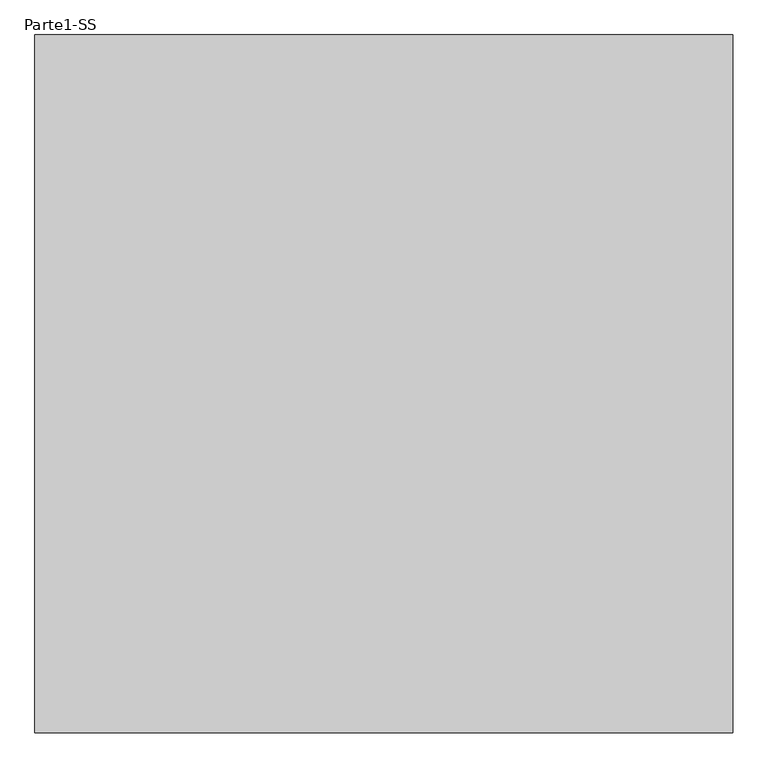
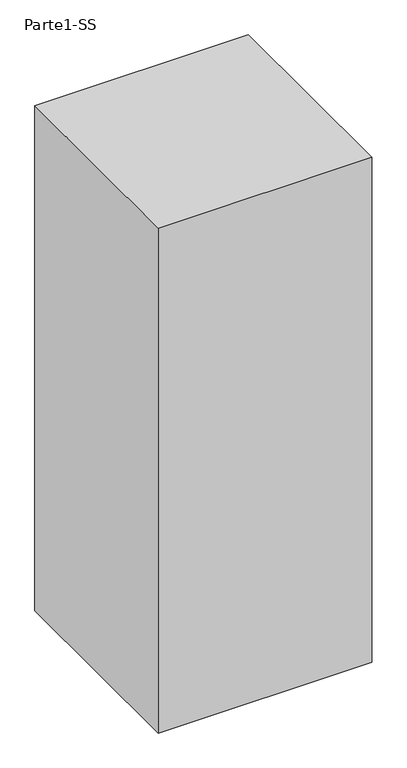
"""IFC4 building model written with IfcOpenShell, lengths in millimetres: proxy geometry, Parte1-SS."""

from ifc_helpers import new_model, si_unit, frame, origin, place, context, project, spatial, polyline, outline, extrude, source, transform, mapped, element, save


def parte1_ss_82ec97d5(model_context):
    return source(origin(), model_context, "Body", "SweptSolid", [
        extrude(outline(polyline([(10000.0, 10000.0), (10000.0, 0.0), (0.0, 0.0), (0.0, 10000.0), (10000.0, 10000.0)])), frame((0.0, 0.0, 25000.0), z_axis=(0.0, 0.0, 1.0), x_axis=(1.0, 0.0, 0.0)), (0.0, 0.0, 1.0), 25000.0),
    ])


if __name__ == "__main__":
    model = new_model("IFC4")
    model_context = context("Model", 3, world=origin())
    ifc_project = project(units=[si_unit("LENGTHUNIT", "METRE", prefix="MILLI")], contexts=[model_context])
    site = spatial("IfcSite", under=ifc_project)
    building = spatial("IfcBuilding", under=site)
    placement = place(None, origin())
    parte1_ss_shape = parte1_ss_82ec97d5(model_context)
    element("IfcBuildingElementProxy", 1, Name="Parte1-SS", ObjectType="Parte1-SS", at=placement, inside=building, context=model_context, shape_type="MappedRepresentation", body=[
        mapped(parte1_ss_shape, transform((0.0, 0.0, 0.0), x_axis=(1.0, 0.0, 0.0), y_axis=(0.0, 1.0, 0.0), z_axis=(0.0, 0.0, 1.0))),
    ])
    save(model, "model.ifc")
